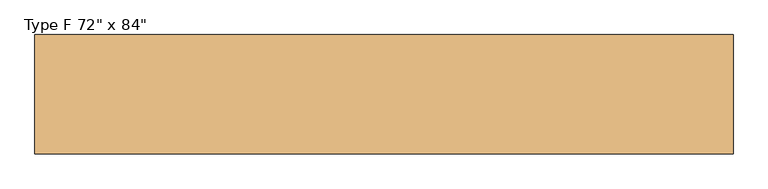
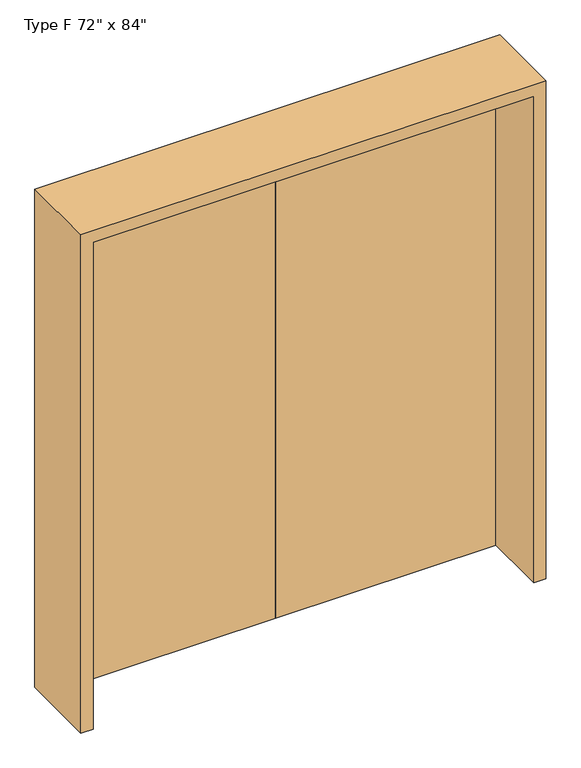
"""IFC4 building model written with IfcOpenShell, lengths in millimetres: door geometry."""

from ifc_helpers import new_model, si_unit, frame, origin, origin_with_axes, place, context, project, spatial, polyline, outline, extrude, source, transform, mapped, element, save


def door_660f954b(model_context):
    return source(origin(), model_context, "Body", "SweptSolid", [
        extrude(outline(polyline([(0.0, 152.4), (0.0, 107.95), (-914.4, 107.95), (-914.4, 152.4), (0.0, 152.4)])), origin_with_axes(), (0.0, 0.0, 1.0), 2133.6),
        extrude(outline(polyline([(0.0, 152.4), (914.4, 152.4), (914.4, 107.95), (0.0, 107.95), (0.0, 152.4)])), origin_with_axes(), (0.0, 0.0, 1.0), 2133.6),
        extrude(outline(polyline([(0.0, 965.2), (2184.4, 965.2), (2184.4, -965.2), (0.0, -965.2), (0.0, -914.4), (2133.6, -914.4), (2133.6, 914.4), (0.0, 914.4), (0.0, 965.2)])), frame((0.0, -165.1, 0.0), z_axis=(0.0, 1.0, 0.0), x_axis=(0.0, 0.0, 1.0)), (0.0, 0.0, 1.0), 330.2),
    ])


if __name__ == "__main__":
    model = new_model("IFC4")
    model_context = context("Model", 3, world=origin())
    ifc_project = project(units=[si_unit("LENGTHUNIT", "METRE", prefix="MILLI")], contexts=[model_context])
    site = spatial("IfcSite", under=ifc_project)
    building = spatial("IfcBuilding", under=site)
    placement = place(None, origin())
    door_shape = door_660f954b(model_context)
    element("IfcDoor", 1, ObjectType="Type F 72\" x 84\"", at=placement, inside=building, context=model_context, shape_type="MappedRepresentation", body=[
        mapped(door_shape, transform((0.0, 0.0, 0.0), x_axis=(1.0, 0.0, 0.0), y_axis=(0.0, 1.0, 0.0), z_axis=(0.0, 0.0, 1.0))),
    ])
    save(model, "model.ifc")
